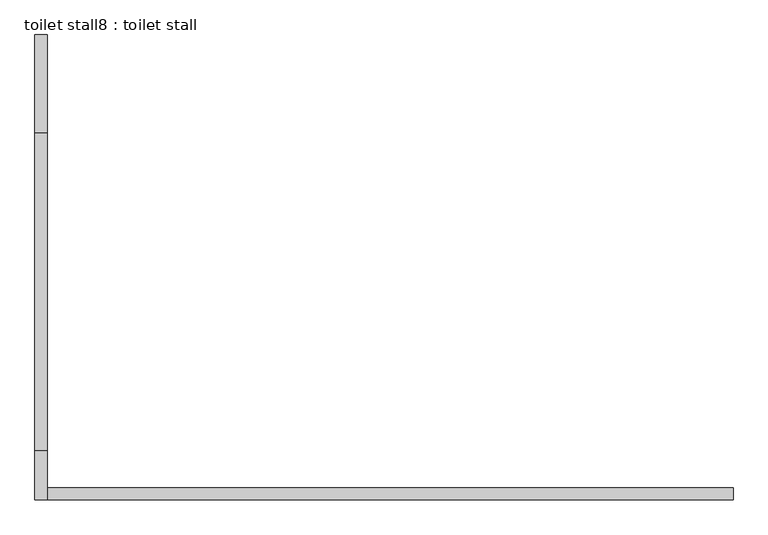
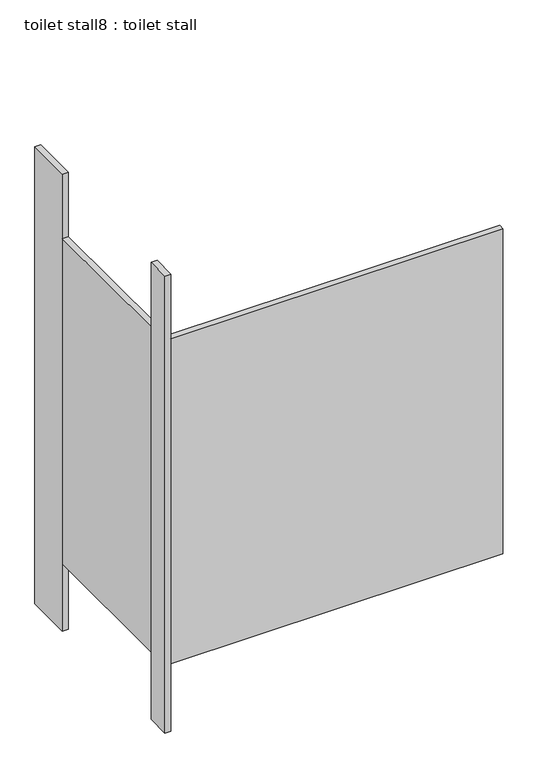
"""IFC4 building model written with IfcOpenShell, lengths in millimetres: proxy geometry, toilet stall8 : toilet stall."""

from ifc_helpers import new_model, si_unit, frame, origin, origin_with_axes, place, context, project, spatial, polyline, outline, extrude, source, transform, mapped, element, save


def toilet_stall8_toilet_stall_d161e4c4(model_context):
    return source(origin(), model_context, "Body", "SweptSolid", [
        extrude(outline(polyline([(454658.2004676, -272450.6988632), (454632.8004676, -272450.6988632), (454632.8004676, -272247.4988632), (454658.2004676, -272247.4988632), (454658.2004676, -272450.6988632)])), origin_with_axes(), (0.0, 0.0, 1.0), 2070.1),
        extrude(outline(polyline([(454658.2004676, -273212.6988632), (454632.8004676, -273212.6988632), (454632.8004676, -273111.0988632), (454658.2004676, -273111.0988632), (454658.2004676, -273212.6988632)])), origin_with_axes(), (0.0, 0.0, 1.0), 2070.1),
        extrude(outline(polyline([(454658.2004676, -273212.6988632), (454658.2004676, -273187.2988632), (456080.6004676, -273187.2988632), (456080.6004676, -273212.6988632), (454658.2004676, -273212.6988632)])), frame((0.0, 0.0, 304.8), z_axis=(0.0, 0.0, 1.0), x_axis=(1.0, 0.0, 0.0)), (0.0, 0.0, 1.0), 1473.2),
        extrude(outline(polyline([(454658.2004676, -273111.0988632), (454632.8004676, -273111.0988632), (454632.8004676, -272450.6988632), (454658.2004676, -272450.6988632), (454658.2004676, -273111.0988632)])), frame((0.0, 0.0, 304.8), z_axis=(0.0, 0.0, 1.0), x_axis=(1.0, 0.0, 0.0)), (0.0, 0.0, 1.0), 1473.2),
    ])


if __name__ == "__main__":
    model = new_model("IFC4")
    model_context = context("Model", 3, world=origin())
    ifc_project = project(units=[si_unit("LENGTHUNIT", "METRE", prefix="MILLI")], contexts=[model_context])
    site = spatial("IfcSite", under=ifc_project)
    building = spatial("IfcBuilding", under=site)
    placement = place(None, origin())
    toilet_stall8_toilet_stall_shape = toilet_stall8_toilet_stall_d161e4c4(model_context)
    element("IfcBuildingElementProxy", 1, Name="toilet stall8 : toilet stall", ObjectType="toilet stall8 : toilet stall", at=placement, inside=building, context=model_context, shape_type="MappedRepresentation", body=[
        mapped(toilet_stall8_toilet_stall_shape, transform((0.0, 0.0, 0.0), x_axis=(1.0, 0.0, 0.0), y_axis=(0.0, 1.0, 0.0), z_axis=(0.0, 0.0, 1.0))),
    ])
    save(model, "model.ifc")
